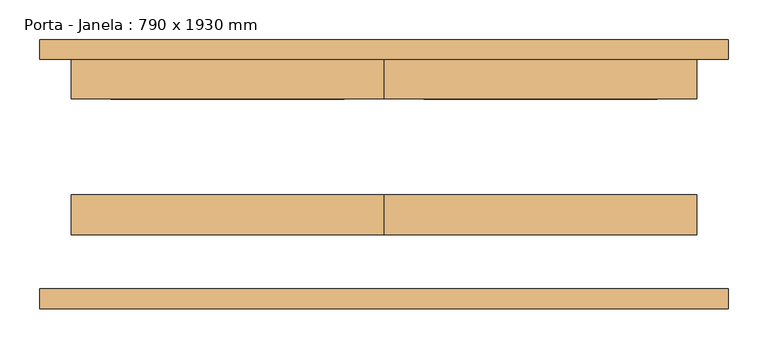
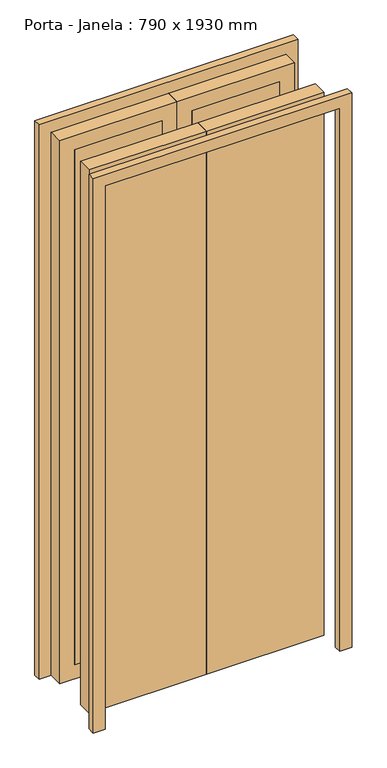
"""IFC4 building model written with IfcOpenShell, lengths in millimetres: door geometry, Porta - Janela : 790 x 1930 mm."""

import ifcopenshell
import ifcopenshell.guid

model = None  # the IFC model being written
_history = None  # IfcOwnerHistory: only IFC2X3 demands one
_inside = {}  # id of a spatial element -> (the spatial element, [elements in it])
_under = {}  # id of a project, library or spatial element -> (it, [spatial elements below it])
_declared = {}  # id of a project -> (the project, [libraries it declares])
_typed = {}  # id of a type object -> (the type object, [elements of that type])
_made_of = {}  # id of a material, layer set ... -> (it, [elements and type objects made of it])


def new_model(schema):
    """Start an empty IFC model of exactly this schema.

    Asked for "IFC4X3", IfcOpenShell would pick the latest addendum, in which some entities
    have other attributes; the version numbers below select the first issue.
    IFC2X3 requires an IfcOwnerHistory on every rooted entity: one is made here for all.
    """
    global model, _history
    if schema == "IFC4X3":
        model = ifcopenshell.file(schema_version=(4, 3, 0, 0))
    else:
        model = ifcopenshell.file(schema=schema)
    _inside.clear()
    _under.clear()
    _declared.clear()
    _typed.clear()
    _made_of.clear()
    _history = None
    if model.schema == "IFC2X3":
        org = make("IfcOrganization", Name="unknown")
        user = make(
            "IfcPersonAndOrganization",
            ThePerson=make("IfcPerson", FamilyName="unknown"),
            TheOrganization=org,
        )
        app = make(
            "IfcApplication",
            ApplicationDeveloper=org,
            Version="unknown",
            ApplicationFullName="unknown",
            ApplicationIdentifier="unknown",
        )
        _history = make(
            "IfcOwnerHistory",
            OwningUser=user,
            OwningApplication=app,
            ChangeAction="ADDED",
            CreationDate=0,
        )
    return model


def make(cls, **values):
    """One entity of the class cls with the attributes given. An attribute that is None is left unset."""
    return model.create_entity(
        cls, **{name: value for name, value in values.items() if value is not None}
    )


def rooted(cls, **values):
    """An entity with a GlobalId (a new one), such as an element, a storey or a relation."""
    return make(cls, GlobalId=ifcopenshell.guid.new(), OwnerHistory=_history, **values)


def si_unit(unit_type, name, prefix=None):
    """IfcSIUnit, for example si_unit("LENGTHUNIT", "METRE", prefix="MILLI")."""
    return make("IfcSIUnit", UnitType=unit_type, Prefix=prefix, Name=name)


def assignment(units):
    """IfcUnitAssignment: the units of a project."""
    return None if units is None else make("IfcUnitAssignment", Units=units)


def point(xyz):
    """IfcCartesianPoint."""
    return None if xyz is None else make("IfcCartesianPoint", Coordinates=xyz)


def direction(xyz):
    """IfcDirection."""
    return None if xyz is None else make("IfcDirection", DirectionRatios=xyz)


def frame(location, z_axis=None, x_axis=None):
    """IfcAxis2Placement3D, a coordinate frame: its origin and axes. An axis left out is left unset."""
    return make(
        "IfcAxis2Placement3D",
        Location=point(location),
        Axis=direction(z_axis),
        RefDirection=direction(x_axis),
    )


def origin():
    """The frame at (0, 0, 0) with its axes left unset."""
    return frame((0.0, 0.0, 0.0))


def origin_with_axes():
    """The frame at (0, 0, 0) with the z axis (0, 0, 1) and the x axis (1, 0, 0) written out."""
    return frame((0.0, 0.0, 0.0), z_axis=(0.0, 0.0, 1.0), x_axis=(1.0, 0.0, 0.0))


def place(relative_to, where):
    """IfcLocalPlacement: puts the frame where relative to a parent placement (None: the world)."""
    return make(
        "IfcLocalPlacement", PlacementRelTo=relative_to, RelativePlacement=where
    )


def context(
    kind, dimensions, precision=None, world=None, true_north=None, identifier=None
):
    """IfcGeometricRepresentationContext, for example the 3D "Model" context."""
    return make(
        "IfcGeometricRepresentationContext",
        ContextIdentifier=identifier,
        ContextType=kind,
        CoordinateSpaceDimension=dimensions,
        Precision=precision,
        WorldCoordinateSystem=world,
        TrueNorth=true_north,
    )


def project(units=None, contexts=None):
    """IfcProject with its units and contexts."""
    return rooted(
        "IfcProject",
        Name="project",
        RepresentationContexts=contexts,
        UnitsInContext=assignment(units),
    )


def spatial(cls, under=None, at=None, **own):
    """A site, building, storey or space (cls), placed at a placement, below another one or the project."""
    s = rooted(cls, ObjectPlacement=at, **own)
    if under is not None:
        _under.setdefault(under.id(), (under, []))[1].append(s)
    return s


def polyline(points):
    """IfcPolyline through the points."""
    return make("IfcPolyline", Points=[point(p) for p in points])


def outline(outer, holes=None, kind="AREA"):
    """IfcArbitraryClosedProfileDef: a profile drawn as a closed curve; with holes, ...WithVoids."""
    if holes is None:
        return make("IfcArbitraryClosedProfileDef", ProfileType=kind, OuterCurve=outer)
    return make(
        "IfcArbitraryProfileDefWithVoids",
        ProfileType=kind,
        OuterCurve=outer,
        InnerCurves=holes,
    )


def extrude(swept, where, along, depth):
    """IfcExtrudedAreaSolid: the profile swept, set in the frame where, extruded along a direction by depth."""
    return make(
        "IfcExtrudedAreaSolid",
        SweptArea=swept,
        Position=where,
        ExtrudedDirection=direction(along),
        Depth=depth,
    )


def shape(context_of_items, identifier, shape_type, items):
    """IfcShapeRepresentation: the items that make up one representation, for example the "Body"."""
    return make(
        "IfcShapeRepresentation",
        ContextOfItems=context_of_items,
        RepresentationIdentifier=identifier,
        RepresentationType=shape_type,
        Items=items,
    )


def source(mapping_origin, context_of_items, identifier, shape_type, items):
    """IfcRepresentationMap: a shape defined once, which mapped items show again and again."""
    return make(
        "IfcRepresentationMap",
        MappingOrigin=mapping_origin,
        MappedRepresentation=shape(context_of_items, identifier, shape_type, items),
    )


def transform(
    local_origin,
    x_axis=None,
    y_axis=None,
    z_axis=None,
    scale=None,
    scale2=None,
    scale3=None,
    uniform=True,
):
    """IfcCartesianTransformationOperator3D, or its non-uniform kind. x_axis, y_axis, z_axis: its Axis1, 2, 3."""
    if uniform:
        return make(
            "IfcCartesianTransformationOperator3D",
            Axis1=direction(x_axis),
            Axis2=direction(y_axis),
            LocalOrigin=point(local_origin),
            Scale=scale,
            Axis3=direction(z_axis),
        )
    return make(
        "IfcCartesianTransformationOperator3DnonUniform",
        Axis1=direction(x_axis),
        Axis2=direction(y_axis),
        LocalOrigin=point(local_origin),
        Scale=scale,
        Axis3=direction(z_axis),
        Scale2=scale2,
        Scale3=scale3,
    )


def mapped(mapping_source, mapping_target):
    """IfcMappedItem: shows the shape of a source again, moved by a transform."""
    return make(
        "IfcMappedItem", MappingSource=mapping_source, MappingTarget=mapping_target
    )


def made_of(thing, what):
    """Note that an element or type object is made of a material, layer set ...; save() writes the relation."""
    if what is not None:
        _made_of.setdefault(what.id(), (what, []))[1].append(thing)
    return thing


def element(
    cls,
    number,
    at=None,
    inside=None,
    cuts=None,
    type_object=None,
    material=None,
    context=None,
    identifier="Body",
    shape_type=None,
    held_by="IfcProductDefinitionShape",
    body=None,
    shapes=None,
    **own,
):
    """One element of the class cls, such as IfcWall. Its Tag is "e" and its number.

    at: its placement. inside: the storey or other place that contains it. cuts: it is an
    opening in that element (IfcRelVoidsElement). A single representation is given by context,
    identifier, shape_type and body (its items); several are given by shapes. held_by: the class
    of the entity that holds the representations. save() writes the other relations.
    """
    e = rooted(cls, Tag="e%d" % number, ObjectPlacement=at, **own)
    if body is not None:
        shapes = [shape(context, identifier, shape_type, body)]
    if shapes is not None:
        e.Representation = make(held_by, Representations=shapes)
    if inside is not None:
        _inside.setdefault(inside.id(), (inside, []))[1].append(e)
    if cuts is not None:
        rooted(
            "IfcRelVoidsElement", RelatingBuildingElement=cuts, RelatedOpeningElement=e
        )
    if type_object is not None:
        _typed.setdefault(type_object.id(), (type_object, []))[1].append(e)
    return made_of(e, material)


def aggregate(whole, parts):
    """IfcRelAggregates: a whole, such as a stair, and the parts it consists of."""
    return rooted("IfcRelAggregates", RelatingObject=whole, RelatedObjects=parts)


def save(model, path):
    """Write the relations noted so far, then the file.

    IfcRelAggregates (storeys below a building ...), IfcRelContainedInSpatialStructure (elements
    in a storey), IfcRelDefinesByType, IfcRelAssociatesMaterial and IfcRelDeclares: one each for
    every whole, place, type object, material and project.
    """
    for whole, parts in _under.values():
        aggregate(whole, parts)
    for where, things in _inside.values():
        rooted(
            "IfcRelContainedInSpatialStructure",
            RelatedElements=things,
            RelatingStructure=where,
        )
    for kind, things in _typed.values():
        rooted("IfcRelDefinesByType", RelatedObjects=things, RelatingType=kind)
    for what, things in _made_of.values():
        rooted("IfcRelAssociatesMaterial", RelatedObjects=things, RelatingMaterial=what)
    for by, libraries in _declared.values():
        rooted("IfcRelDeclares", RelatingContext=by, RelatedDefinitions=libraries)
    model.write(path)


def porta_janela_790_x_1930_mm_650b962d(model_context):
    return source(origin(), model_context, "Body", "SweptSolid", [
        extrude(outline(polyline([(1930.0, -395.0), (1930.0, 395.0), (0.0, 395.0), (0.0, 435.0), (1970.0, 435.0), (1970.0, -435.0), (0.0, -435.0), (0.0, -395.0), (1930.0, -395.0)])), frame((0.0, -170.0, 0.0), z_axis=(0.0, 1.0, 0.0), x_axis=(0.0, 0.0, 1.0)), (0.0, 0.0, 1.0), 25.0),
        extrude(outline(polyline([(1930.0, -395.0), (1930.0, 395.0), (0.0, 395.0), (0.0, 435.0), (1970.0, 435.0), (1970.0, -435.0), (0.0, -435.0), (0.0, -395.0), (1930.0, -395.0)])), frame((0.0, 145.0, 0.0), z_axis=(0.0, 1.0, 0.0), x_axis=(0.0, 0.0, 1.0)), (0.0, 0.0, 1.0), 25.0),
        extrude(outline(polyline([(50.0, 145.0), (345.0, 145.0), (345.0, 95.0), (50.0, 95.0), (50.0, 145.0)])), frame((0.0, 0.0, 50.0), z_axis=(0.0, 0.0, 1.0), x_axis=(1.0, 0.0, 0.0)), (0.0, 0.0, 1.0), 1830.0),
        extrude(outline(polyline([(-345.0, 145.0), (-50.0, 145.0), (-50.0, 95.0), (-345.0, 95.0), (-345.0, 145.0)])), frame((0.0, 0.0, 50.0), z_axis=(0.0, 0.0, 1.0), x_axis=(1.0, 0.0, 0.0)), (0.0, 0.0, 1.0), 1830.0),
        extrude(outline(polyline([(395.0, -76.2), (0.0, -76.2), (0.0, -26.2), (395.0, -26.2), (395.0, -76.2)])), origin_with_axes(), (0.0, 0.0, 1.0), 1930.0),
        extrude(outline(polyline([(0.0, -76.2), (-395.0, -76.2), (-395.0, -26.2), (0.0, -26.2), (0.0, -76.2)])), origin_with_axes(), (0.0, 0.0, 1.0), 1930.0),
        extrude(outline(polyline([(1930.0, 0.0), (0.0, 0.0), (0.0, 395.0), (1930.0, 395.0), (1930.0, 0.0)]), holes=[polyline([(1880.0, 50.0), (1880.0, 345.0), (50.0, 345.0), (50.0, 50.0), (1880.0, 50.0)])]), frame((0.0, 95.0, 0.0), z_axis=(0.0, 1.0, 0.0), x_axis=(0.0, 0.0, 1.0)), (0.0, 0.0, 1.0), 50.0),
        extrude(outline(polyline([(1930.0, -395.0), (0.0, -395.0), (0.0, 0.0), (1930.0, 0.0), (1930.0, -395.0)]), holes=[polyline([(1880.0, -345.0), (1880.0, -50.0), (50.0, -50.0), (50.0, -345.0), (1880.0, -345.0)])]), frame((0.0, 95.0, 0.0), z_axis=(0.0, 1.0, 0.0), x_axis=(0.0, 0.0, 1.0)), (0.0, 0.0, 1.0), 50.0),
    ])


if __name__ == "__main__":
    model = new_model("IFC4")
    model_context = context("Model", 3, world=origin())
    ifc_project = project(units=[si_unit("LENGTHUNIT", "METRE", prefix="MILLI")], contexts=[model_context])
    site = spatial("IfcSite", under=ifc_project)
    building = spatial("IfcBuilding", under=site)
    placement = place(None, origin())
    porta_janela_790_x_1930_mm_shape = porta_janela_790_x_1930_mm_650b962d(model_context)
    element("IfcDoor", 1, ObjectType="Porta - Janela : 790 x 1930 mm", at=placement, inside=building, context=model_context, shape_type="MappedRepresentation", body=[
        mapped(porta_janela_790_x_1930_mm_shape, transform((0.0, 0.0, 0.0), x_axis=(1.0, 0.0, 0.0), y_axis=(0.0, 1.0, 0.0), z_axis=(0.0, 0.0, 1.0))),
    ])
    save(model, "model.ifc")
